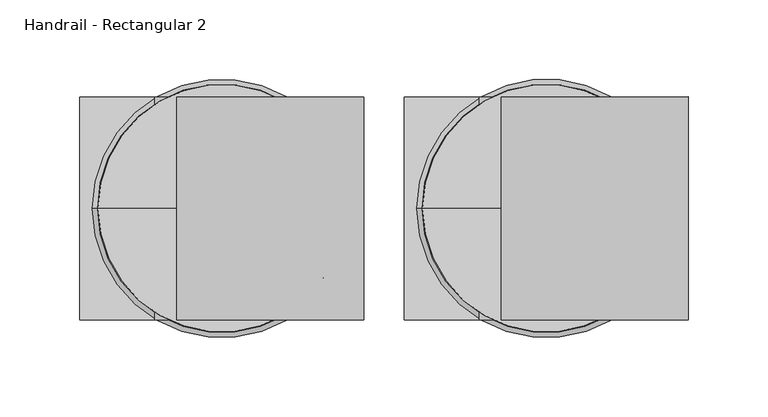
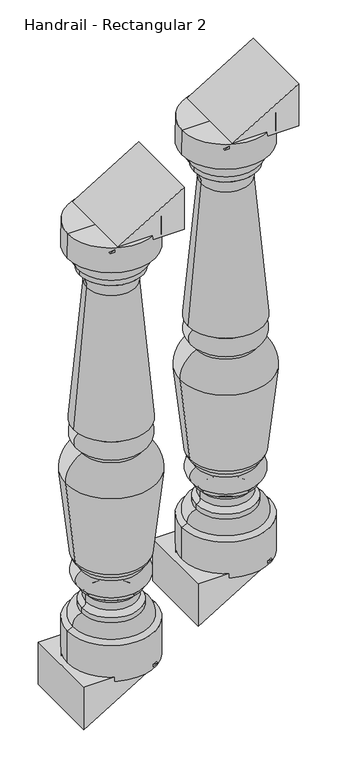
"""IFC4 building model written with IfcOpenShell, lengths in millimetres: railing geometry, Handrail - Rectangular 2."""

from ifc_helpers import new_model, si_unit, point, frame, origin, place, context, project, spatial, polyline, circle_curve, ellipse_curve, trimmed, outline, extrude, source, transform, mapped, element, save
from ifc_brep_helpers import plane_surface, cylinder_surface, revolved_surface, advanced_brep


def handrail_rectangular_2_d4c0c247(model_context):
    return source(origin(), model_context, "Body", "SolidModel", [
        advanced_brep(
        [(6568.3027138, 3995.6919589, 1418.7420479), (6490.7414749, 3995.6919589, 1418.7420479), (6645.8639527, 3995.6919589, 1418.7420479), (6646.0902138, 3995.6919589, 605.9420479), (6490.5152138, 3995.6919589, 605.9420479), (6568.3027138, 3995.6919589, 605.9420479), (6646.0902138, 3995.6919589, 672.6170479), (6490.5152138, 3995.6919589, 672.6170479), (6636.4781798, 3995.6919589, 677.7655328), (6500.1272477, 3995.6919589, 677.7655328), (6620.6902138, 3995.6919589, 698.1481011), (6515.9152138, 3995.6919589, 698.1481011), (6620.6902138, 3995.6919589, 707.5420479), (6515.9152138, 3995.6919589, 707.5420479), (6613.0714969, 3995.6919589, 716.5768641), (6523.5339306, 3995.6919589, 716.5768641), (6613.0714969, 3995.6919589, 730.2572316), (6523.5339306, 3995.6919589, 730.2572316), (6620.6902138, 3995.6919589, 739.2920479), (6515.9152138, 3995.6919589, 739.2920479), (6620.6902138, 3995.6919589, 745.6420479), (6515.9152138, 3995.6919589, 745.6420479), (6621.4839638, 3995.6919589, 777.3920479), (6515.1214638, 3995.6919589, 777.3920479), (6621.4839638, 3995.6919589, 783.7420479), (6515.1214638, 3995.6919589, 783.7420479), (6632.2567486, 3995.6919589, 796.432832), (6504.348679, 3995.6919589, 796.432832), (6649.3438292, 3995.6919589, 950.7896366), (6487.2615983, 3995.6919589, 950.7896366), (6620.6902138, 3995.6919589, 998.0545479), (6515.9152138, 3995.6919589, 998.0545479), (6620.6902138, 3995.6919589, 1004.4045479), (6515.9152138, 3995.6919589, 1004.4045479), (6623.8652138, 3995.6919589, 1039.3295479), (6512.7402138, 3995.6919589, 1039.3295479), (6623.8652138, 3995.6919589, 1042.5045479), (6512.7402138, 3995.6919589, 1042.5045479), (6634.9777138, 3995.6919589, 1047.2670479), (6501.6277138, 3995.6919589, 1047.2670479), (6611.7992017, 3995.6919589, 1305.7369697), (6524.8062258, 3995.6919589, 1305.7369697), (6623.8652138, 3995.6919589, 1333.0170479), (6512.7402138, 3995.6919589, 1333.0170479), (6623.8652138, 3995.6919589, 1342.5420479), (6512.7402138, 3995.6919589, 1342.5420479), (6634.9777138, 3995.6919589, 1369.5295479), (6501.6277138, 3995.6919589, 1369.5295479), (6646.0902138, 3995.6919589, 1372.7045479), (6490.5152138, 3995.6919589, 1372.7045479)],
        [
            (0, 1),
            (1, 2, circle_curve(frame((6568.3027138, 3995.6919589, 1418.7420479), z_axis=(0.0, 0.0, 1.0), x_axis=(-1.0, 0.0, 0.0)), 77.5612389)),
            (2, 0),
            (2, 1, circle_curve(frame((6568.3027138, 3995.6919589, 1418.7420479), z_axis=(0.0, 0.0, 1.0), x_axis=(-1.0, 0.0, 0.0)), 77.5612389)),
            (3, 4, circle_curve(frame((6568.3027138, 3995.6919589, 605.9420479), z_axis=(0.0, 0.0, -1.0), x_axis=(-1.0, 0.0, 0.0)), 77.7875)),
            (4, 5),
            (5, 3),
            (4, 3, circle_curve(frame((6568.3027138, 3995.6919589, 605.9420479), z_axis=(0.0, 0.0, -1.0), x_axis=(-1.0, 0.0, 0.0)), 77.7875)),
            (6, 7, circle_curve(frame((6568.3027138, 3995.6919589, 672.6170479), z_axis=(0.0, 0.0, -1.0), x_axis=(-1.0, 0.0, 0.0)), 77.7875)),
            (7, 4),
            (3, 6),
            (7, 6, circle_curve(frame((6568.3027138, 3995.6919589, 672.6170479), z_axis=(0.0, 0.0, -1.0), x_axis=(-1.0, 0.0, 0.0)), 77.7875)),
            (8, 9, circle_curve(frame((6568.3027138, 3995.6919589, 677.7655328), z_axis=(0.0, 0.0, -1.0), x_axis=(-1.0, 0.0, 0.0)), 68.175466)),
            (9, 7),
            (6, 8),
            (9, 8, circle_curve(frame((6568.3027138, 3995.6919589, 677.7655328), z_axis=(0.0, 0.0, -1.0), x_axis=(-1.0, 0.0, 0.0)), 68.175466)),
            (10, 11, circle_curve(frame((6568.3027138, 3995.6919589, 698.1481011), z_axis=(0.0, 0.0, -1.0), x_axis=(-1.0, 0.0, 0.0)), 52.3875)),
            (11, 9, circle_curve(frame((6518.2903026, 3995.6919589, 680.0025809), z_axis=(0.0, -1.0, 0.0), x_axis=(1.0, 0.0, 0.0)), 18.3002991)),
            (8, 10, circle_curve(frame((6618.3151249, 3995.6919589, 680.0025809), z_axis=(0.0, -1.0, 0.0), x_axis=(-1.0, 0.0, 0.0)), 18.3002991)),
            (11, 10, circle_curve(frame((6568.3027138, 3995.6919589, 698.1481011), z_axis=(0.0, 0.0, -1.0), x_axis=(-1.0, 0.0, 0.0)), 52.3875)),
            (12, 13, circle_curve(frame((6568.3027138, 3995.6919589, 707.5420479), z_axis=(0.0, 0.0, -1.0), x_axis=(-1.0, 0.0, 0.0)), 52.3875)),
            (13, 11),
            (10, 12),
            (13, 12, circle_curve(frame((6568.3027138, 3995.6919589, 707.5420479), z_axis=(0.0, 0.0, -1.0), x_axis=(-1.0, 0.0, 0.0)), 52.3875)),
            (14, 15, circle_curve(frame((6568.3027138, 3995.6919589, 716.5768641), z_axis=(0.0, 0.0, -1.0), x_axis=(-1.0, 0.0, 0.0)), 44.7687831)),
            (15, 13, circle_curve(frame((6514.1298785, 3995.6919589, 716.7772484), z_axis=(0.0, 1.0, 0.0), x_axis=(1.0, 0.0, 0.0)), 9.4061868)),
            (12, 14, circle_curve(frame((6622.475549, 3995.6919589, 716.7772484), z_axis=(0.0, 1.0, 0.0), x_axis=(-1.0, 0.0, 0.0)), 9.4061868)),
            (15, 14, circle_curve(frame((6568.3027138, 3995.6919589, 716.5768641), z_axis=(0.0, 0.0, -1.0), x_axis=(-1.0, 0.0, 0.0)), 44.7687831)),
            (16, 17, circle_curve(frame((6568.3027138, 3995.6919589, 730.2572316), z_axis=(0.0, 0.0, -1.0), x_axis=(-1.0, 0.0, 0.0)), 44.7687831)),
            (17, 15),
            (14, 16),
            (17, 16, circle_curve(frame((6568.3027138, 3995.6919589, 730.2572316), z_axis=(0.0, 0.0, -1.0), x_axis=(-1.0, 0.0, 0.0)), 44.7687831)),
            (18, 19, circle_curve(frame((6568.3027138, 3995.6919589, 739.2920479), z_axis=(0.0, 0.0, -1.0), x_axis=(-1.0, 0.0, 0.0)), 52.3875)),
            (19, 17, circle_curve(frame((6514.1298785, 3995.6919589, 730.0568473), z_axis=(0.0, 1.0, 0.0), x_axis=(1.0, 0.0, 0.0)), 9.4061868)),
            (16, 18, circle_curve(frame((6622.475549, 3995.6919589, 730.0568473), z_axis=(0.0, 1.0, 0.0), x_axis=(-1.0, 0.0, 0.0)), 9.4061868)),
            (19, 18, circle_curve(frame((6568.3027138, 3995.6919589, 739.2920479), z_axis=(0.0, 0.0, -1.0), x_axis=(-1.0, 0.0, 0.0)), 52.3875)),
            (20, 21, circle_curve(frame((6568.3027138, 3995.6919589, 745.6420479), z_axis=(0.0, 0.0, -1.0), x_axis=(-1.0, 0.0, 0.0)), 52.3875)),
            (21, 19),
            (18, 20),
            (21, 20, circle_curve(frame((6568.3027138, 3995.6919589, 745.6420479), z_axis=(0.0, 0.0, -1.0), x_axis=(-1.0, 0.0, 0.0)), 52.3875)),
            (22, 23, circle_curve(frame((6568.3027138, 3995.6919589, 777.3920479), z_axis=(0.0, 0.0, -1.0), x_axis=(-1.0, 0.0, 0.0)), 53.18125)),
            (23, 21, circle_curve(frame((6521.4943014, 3995.6919589, 761.6664469), z_axis=(0.0, -1.0, 0.0), x_axis=(1.0, 0.0, 0.0)), 16.9678397)),
            (20, 22, circle_curve(frame((6615.1111261, 3995.6919589, 761.6664469), z_axis=(0.0, -1.0, 0.0), x_axis=(-1.0, 0.0, 0.0)), 16.9678397)),
            (23, 22, circle_curve(frame((6568.3027138, 3995.6919589, 777.3920479), z_axis=(0.0, 0.0, -1.0), x_axis=(-1.0, 0.0, 0.0)), 53.18125)),
            (24, 25, circle_curve(frame((6568.3027138, 3995.6919589, 783.7420479), z_axis=(0.0, 0.0, -1.0), x_axis=(-1.0, 0.0, 0.0)), 53.18125)),
            (25, 23),
            (22, 24),
            (25, 24, circle_curve(frame((6568.3027138, 3995.6919589, 783.7420479), z_axis=(0.0, 0.0, -1.0), x_axis=(-1.0, 0.0, 0.0)), 53.18125)),
            (26, 27, circle_curve(frame((6568.3027138, 3995.6919589, 796.432832), z_axis=(0.0, 0.0, -1.0), x_axis=(-1.0, 0.0, 0.0)), 63.9540348)),
            (27, 25, circle_curve(frame((6524.9548362, 3995.6919589, 803.0069924), z_axis=(0.0, -1.0, 0.0), x_axis=(1.0, 0.0, 0.0)), 21.6294545)),
            (24, 26, circle_curve(frame((6611.6505913, 3995.6919589, 803.0069924), z_axis=(0.0, -1.0, 0.0), x_axis=(-1.0, 0.0, 0.0)), 21.6294545)),
            (27, 26, circle_curve(frame((6568.3027138, 3995.6919589, 796.432832), z_axis=(0.0, 0.0, -1.0), x_axis=(-1.0, 0.0, 0.0)), 63.9540348)),
            (28, 29, circle_curve(frame((6568.3027138, 3995.6919589, 950.7896366), z_axis=(0.0, 0.0, -1.0), x_axis=(-1.0, 0.0, 0.0)), 81.0411154)),
            (29, 27, circle_curve(frame((7981.5890441, 3995.6919589, 1038.0854177), z_axis=(0.0, -1.0, 0.0), x_axis=(1.0, 0.0, 0.0)), 1496.8751012)),
            (26, 28, circle_curve(frame((5155.0163835, 3995.6919589, 1038.0854177), z_axis=(0.0, -1.0, 0.0), x_axis=(-1.0, 0.0, 0.0)), 1496.8751012)),
            (29, 28, circle_curve(frame((6568.3027138, 3995.6919589, 950.7896366), z_axis=(0.0, 0.0, -1.0), x_axis=(-1.0, 0.0, 0.0)), 81.0411154)),
            (30, 31, circle_curve(frame((6568.3027138, 3995.6919589, 998.0545479), z_axis=(0.0, 0.0, -1.0), x_axis=(-1.0, 0.0, 0.0)), 52.3875)),
            (31, 29, circle_curve(frame((6539.0143644, 3995.6919589, 951.7331886), z_axis=(0.0, -1.0, 0.0), x_axis=(1.0, 0.0, 0.0)), 51.7613668)),
            (28, 30, circle_curve(frame((6597.5910631, 3995.6919589, 951.7331886), z_axis=(0.0, -1.0, 0.0), x_axis=(-1.0, 0.0, 0.0)), 51.7613668)),
            (31, 30, circle_curve(frame((6568.3027138, 3995.6919589, 998.0545479), z_axis=(0.0, 0.0, -1.0), x_axis=(-1.0, 0.0, 0.0)), 52.3875)),
            (32, 33, circle_curve(frame((6568.3027138, 3995.6919589, 1004.4045479), z_axis=(0.0, 0.0, -1.0), x_axis=(-1.0, 0.0, 0.0)), 52.3875)),
            (33, 31),
            (30, 32),
            (33, 32, circle_curve(frame((6568.3027138, 3995.6919589, 1004.4045479), z_axis=(0.0, 0.0, -1.0), x_axis=(-1.0, 0.0, 0.0)), 52.3875)),
            (34, 35, circle_curve(frame((6568.3027138, 3995.6919589, 1039.3295479), z_axis=(0.0, 0.0, -1.0), x_axis=(-1.0, 0.0, 0.0)), 55.5625)),
            (35, 33, circle_curve(frame((6520.9814661, 3995.6919589, 1022.4719344), z_axis=(0.0, -1.0, 0.0), x_axis=(1.0, 0.0, 0.0)), 18.7642578)),
            (32, 34, circle_curve(frame((6615.6239614, 3995.6919589, 1022.4719344), z_axis=(0.0, -1.0, 0.0), x_axis=(-1.0, 0.0, 0.0)), 18.7642578)),
            (35, 34, circle_curve(frame((6568.3027138, 3995.6919589, 1039.3295479), z_axis=(0.0, 0.0, -1.0), x_axis=(-1.0, 0.0, 0.0)), 55.5625)),
            (36, 37, circle_curve(frame((6568.3027138, 3995.6919589, 1042.5045479), z_axis=(0.0, 0.0, -1.0), x_axis=(-1.0, 0.0, 0.0)), 55.5625)),
            (37, 35),
            (34, 36),
            (37, 36, circle_curve(frame((6568.3027138, 3995.6919589, 1042.5045479), z_axis=(0.0, 0.0, -1.0), x_axis=(-1.0, 0.0, 0.0)), 55.5625)),
            (38, 39, circle_curve(frame((6568.3027138, 3995.6919589, 1047.2670479), z_axis=(0.0, 0.0, -1.0), x_axis=(-1.0, 0.0, 0.0)), 66.675)),
            (39, 37),
            (36, 38),
            (39, 38, circle_curve(frame((6568.3027138, 3995.6919589, 1047.2670479), z_axis=(0.0, 0.0, -1.0), x_axis=(-1.0, 0.0, 0.0)), 66.675)),
            (40, 41, circle_curve(frame((6568.3027138, 3995.6919589, 1305.7369697), z_axis=(0.0, 0.0, -1.0), x_axis=(-1.0, 0.0, 0.0)), 43.4964879)),
            (41, 39, circle_curve(frame((4877.9697999, 3995.6919589, 1323.1442023), z_axis=(0.0, 1.0, 0.0), x_axis=(1.0, 0.0, 0.0)), 1646.9284215)),
            (38, 40, circle_curve(frame((8258.6356276, 3995.6919589, 1323.1442023), z_axis=(0.0, 1.0, 0.0), x_axis=(-1.0, 0.0, 0.0)), 1646.9284215)),
            (41, 40, circle_curve(frame((6568.3027138, 3995.6919589, 1305.7369697), z_axis=(0.0, 0.0, -1.0), x_axis=(-1.0, 0.0, 0.0)), 43.4964879)),
            (42, 43, circle_curve(frame((6568.3027138, 3995.6919589, 1333.0170479), z_axis=(0.0, 0.0, -1.0), x_axis=(-1.0, 0.0, 0.0)), 55.5625)),
            (43, 41, circle_curve(frame((6492.102067, 3995.6919589, 1307.5803251), z_axis=(0.0, 1.0, 0.0), x_axis=(1.0, 0.0, 0.0)), 32.7560676)),
            (40, 42, circle_curve(frame((6644.5033606, 3995.6919589, 1307.5803251), z_axis=(0.0, 1.0, 0.0), x_axis=(-1.0, 0.0, 0.0)), 32.7560676)),
            (43, 42, circle_curve(frame((6568.3027138, 3995.6919589, 1333.0170479), z_axis=(0.0, 0.0, -1.0), x_axis=(-1.0, 0.0, 0.0)), 55.5625)),
            (44, 45, circle_curve(frame((6568.3027138, 3995.6919589, 1342.5420479), z_axis=(0.0, 0.0, -1.0), x_axis=(-1.0, 0.0, 0.0)), 55.5625)),
            (45, 43),
            (42, 44),
            (45, 44, circle_curve(frame((6568.3027138, 3995.6919589, 1342.5420479), z_axis=(0.0, 0.0, -1.0), x_axis=(-1.0, 0.0, 0.0)), 55.5625)),
            (46, 47, circle_curve(frame((6568.3027138, 3995.6919589, 1369.5295479), z_axis=(0.0, 0.0, -1.0), x_axis=(-1.0, 0.0, 0.0)), 66.675)),
            (47, 45, circle_curve(frame((6530.9879355, 3995.6919589, 1365.8374333), z_axis=(0.0, -1.0, 0.0), x_axis=(1.0, 0.0, 0.0)), 29.5914571)),
            (44, 46, circle_curve(frame((6605.617492, 3995.6919589, 1365.8374333), z_axis=(0.0, -1.0, 0.0), x_axis=(-1.0, 0.0, 0.0)), 29.5914571)),
            (47, 46, circle_curve(frame((6568.3027138, 3995.6919589, 1369.5295479), z_axis=(0.0, 0.0, -1.0), x_axis=(-1.0, 0.0, 0.0)), 66.675)),
            (48, 49, circle_curve(frame((6568.3027138, 3995.6919589, 1372.7045479), z_axis=(0.0, 0.0, -1.0), x_axis=(-1.0, 0.0, 0.0)), 77.7875)),
            (49, 47),
            (46, 48),
            (49, 48, circle_curve(frame((6568.3027138, 3995.6919589, 1372.7045479), z_axis=(0.0, 0.0, -1.0), x_axis=(-1.0, 0.0, 0.0)), 77.7875)),
            (1, 49),
            (48, 2),
        ],
        [
            plane_surface(frame((6568.3027138, 3995.6919589, 1418.7420479), z_axis=(0.0, 0.0, 1.0), x_axis=(-1.0, 0.0, 0.0))),
            plane_surface(frame((6568.3027138, 3995.6919589, 605.9420479), z_axis=(0.0, 0.0, -1.0), x_axis=(-1.0, 0.0, 0.0))),
            cylinder_surface(frame((6568.3027138, 3995.6919589, 1488.5920479), z_axis=(0.0, 0.0, 1.0), x_axis=(-1.0, 0.0, 0.0)), 77.7875),
            revolved_surface(polyline([(6490.5152138, 3995.6919589, 672.6170479), (6500.1272477, 3995.6919589, 677.7655328)]), (6568.3027138, 3995.6919589, 1488.5920479), (0.0, 0.0, 1.0)),
            revolved_surface(trimmed(ellipse_curve(frame((6518.2903026, 3995.6919589, 680.0025809), z_axis=(0.0, 1.0, 0.0), x_axis=(1.0, 0.0, 0.0)), 18.3002991, 18.3002991), [point((6500.1272477, 3995.6919589, 677.7655328))], [point((6515.9152138, 3995.6919589, 698.1481011))], True, "CARTESIAN"), (6568.3027138, 3995.6919589, 1488.5920479), (0.0, 0.0, 1.0)),
            cylinder_surface(frame((6568.3027138, 3995.6919589, 1488.5920479), z_axis=(0.0, 0.0, 1.0), x_axis=(-1.0, 0.0, 0.0)), 52.3875),
            revolved_surface(trimmed(ellipse_curve(frame((6514.1298785, 3995.6919589, 716.7772484), z_axis=(0.0, -1.0, 0.0), x_axis=(1.0, 0.0, 0.0)), 9.4061868, 9.4061868), [point((6515.9152138, 3995.6919589, 707.5420479))], [point((6523.5339306, 3995.6919589, 716.5768641))], True, "CARTESIAN"), (6568.3027138, 3995.6919589, 1488.5920479), (0.0, 0.0, 1.0)),
            cylinder_surface(frame((6568.3027138, 3995.6919589, 1488.5920479), z_axis=(0.0, 0.0, 1.0), x_axis=(-1.0, 0.0, 0.0)), 44.7687831),
            revolved_surface(trimmed(ellipse_curve(frame((6514.1298785, 3995.6919589, 730.0568473), z_axis=(0.0, -1.0, 0.0), x_axis=(1.0, 0.0, 0.0)), 9.4061868, 9.4061868), [point((6523.5339306, 3995.6919589, 730.2572316))], [point((6515.9152138, 3995.6919589, 739.2920479))], True, "CARTESIAN"), (6568.3027138, 3995.6919589, 1488.5920479), (0.0, 0.0, 1.0)),
            revolved_surface(trimmed(ellipse_curve(frame((6521.4943014, 3995.6919589, 761.6664469), z_axis=(0.0, 1.0, 0.0), x_axis=(1.0, 0.0, 0.0)), 16.9678397, 16.9678397), [point((6515.9152138, 3995.6919589, 745.6420479))], [point((6515.1214638, 3995.6919589, 777.3920479))], True, "CARTESIAN"), (6568.3027138, 3995.6919589, 1488.5920479), (0.0, 0.0, 1.0)),
            cylinder_surface(frame((6568.3027138, 3995.6919589, 1488.5920479), z_axis=(0.0, 0.0, 1.0), x_axis=(-1.0, 0.0, 0.0)), 53.18125),
            revolved_surface(trimmed(ellipse_curve(frame((6524.9548362, 3995.6919589, 803.0069924), z_axis=(0.0, 1.0, 0.0), x_axis=(1.0, 0.0, 0.0)), 21.6294545, 21.6294545), [point((6515.1214638, 3995.6919589, 783.7420479))], [point((6504.348679, 3995.6919589, 796.432832))], True, "CARTESIAN"), (6568.3027138, 3995.6919589, 1488.5920479), (0.0, 0.0, 1.0)),
            revolved_surface(trimmed(ellipse_curve(frame((7981.5890441, 3995.6919589, 1038.0854177), z_axis=(0.0, 1.0, 0.0), x_axis=(1.0, 0.0, 0.0)), 1496.8751012, 1496.8751012), [point((6504.348679, 3995.6919589, 796.432832))], [point((6487.2615983, 3995.6919589, 950.7896366))], True, "CARTESIAN"), (6568.3027138, 3995.6919589, 1488.5920479), (0.0, 0.0, 1.0)),
            revolved_surface(trimmed(ellipse_curve(frame((6539.0143644, 3995.6919589, 951.7331886), z_axis=(0.0, 1.0, 0.0), x_axis=(1.0, 0.0, 0.0)), 51.7613668, 51.7613668), [point((6487.2615983, 3995.6919589, 950.7896366))], [point((6515.9152138, 3995.6919589, 998.0545479))], True, "CARTESIAN"), (6568.3027138, 3995.6919589, 1488.5920479), (0.0, 0.0, 1.0)),
            revolved_surface(trimmed(ellipse_curve(frame((6520.9814661, 3995.6919589, 1022.4719344), z_axis=(0.0, 1.0, 0.0), x_axis=(1.0, 0.0, 0.0)), 18.7642578, 18.7642578), [point((6515.9152138, 3995.6919589, 1004.4045479))], [point((6512.7402138, 3995.6919589, 1039.3295479))], True, "CARTESIAN"), (6568.3027138, 3995.6919589, 1488.5920479), (0.0, 0.0, 1.0)),
            cylinder_surface(frame((6568.3027138, 3995.6919589, 1488.5920479), z_axis=(0.0, 0.0, 1.0), x_axis=(-1.0, 0.0, 0.0)), 55.5625),
            revolved_surface(polyline([(6512.7402138, 3995.6919589, 1042.5045479), (6501.6277138, 3995.6919589, 1047.2670479)]), (6568.3027138, 3995.6919589, 1488.5920479), (0.0, 0.0, 1.0)),
            revolved_surface(trimmed(ellipse_curve(frame((4877.9697999, 3995.6919589, 1323.1442023), z_axis=(0.0, -1.0, 0.0), x_axis=(1.0, 0.0, 0.0)), 1646.9284215, 1646.9284215), [point((6501.6277138, 3995.6919589, 1047.2670479))], [point((6524.8062258, 3995.6919589, 1305.7369697))], True, "CARTESIAN"), (6568.3027138, 3995.6919589, 1488.5920479), (0.0, 0.0, 1.0)),
            revolved_surface(trimmed(ellipse_curve(frame((6492.102067, 3995.6919589, 1307.5803251), z_axis=(0.0, -1.0, 0.0), x_axis=(1.0, 0.0, 0.0)), 32.7560676, 32.7560676), [point((6524.8062258, 3995.6919589, 1305.7369697))], [point((6512.7402138, 3995.6919589, 1333.0170479))], True, "CARTESIAN"), (6568.3027138, 3995.6919589, 1488.5920479), (0.0, 0.0, 1.0)),
            revolved_surface(trimmed(ellipse_curve(frame((6530.9879355, 3995.6919589, 1365.8374333), z_axis=(0.0, 1.0, 0.0), x_axis=(1.0, 0.0, 0.0)), 29.5914571, 29.5914571), [point((6512.7402138, 3995.6919589, 1342.5420479))], [point((6501.6277138, 3995.6919589, 1369.5295479))], True, "CARTESIAN"), (6568.3027138, 3995.6919589, 1488.5920479), (0.0, 0.0, 1.0)),
            revolved_surface(polyline([(6501.6277138, 3995.6919589, 1369.5295479), (6490.5152138, 3995.6919589, 1372.7045479)]), (6568.3027138, 3995.6919589, 1488.5920479), (0.0, 0.0, 1.0)),
            revolved_surface(polyline([(6490.5152138, 3995.6919589, 1372.7045479), (6490.7414749, 3995.6919589, 1418.7420479)]), (6568.3027138, 3995.6919589, 1488.5920479), (0.0, 0.0, 1.0)),
        ],
        [
            (0, [[1, 2, 3]]),
            (0, [[-3, 4, -1]]),
            (1, [[5, 6, 7]]),
            (1, [[8, -7, -6]]),
            (2, [[9, 10, -5, 11]]),
            (2, [[12, -11, -8, -10]]),
            (3, [[13, 14, -9, 15]]),
            (3, [[16, -15, -12, -14]]),
            (4, [[17, 18, -13, 19]]),
            (4, [[20, -19, -16, -18]]),
            (5, [[21, 22, -17, 23]]),
            (5, [[24, -23, -20, -22]]),
            (6, [[25, 26, -21, 27]]),
            (6, [[28, -27, -24, -26]]),
            (7, [[29, 30, -25, 31]]),
            (7, [[32, -31, -28, -30]]),
            (8, [[33, 34, -29, 35]]),
            (8, [[36, -35, -32, -34]]),
            (5, [[37, 38, -33, 39]]),
            (5, [[40, -39, -36, -38]]),
            (9, [[41, 42, -37, 43]]),
            (9, [[44, -43, -40, -42]]),
            (10, [[45, 46, -41, 47]]),
            (10, [[48, -47, -44, -46]]),
            (11, [[49, 50, -45, 51]]),
            (11, [[52, -51, -48, -50]]),
            (12, [[53, 54, -49, 55]]),
            (12, [[56, -55, -52, -54]]),
            (13, [[57, 58, -53, 59]]),
            (13, [[60, -59, -56, -58]]),
            (5, [[61, 62, -57, 63]]),
            (5, [[64, -63, -60, -62]]),
            (14, [[65, 66, -61, 67]]),
            (14, [[68, -67, -64, -66]]),
            (15, [[69, 70, -65, 71]]),
            (15, [[72, -71, -68, -70]]),
            (16, [[73, 74, -69, 75]]),
            (16, [[76, -75, -72, -74]]),
            (17, [[77, 78, -73, 79]]),
            (17, [[80, -79, -76, -78]]),
            (18, [[81, 82, -77, 83]]),
            (18, [[84, -83, -80, -82]]),
            (15, [[85, 86, -81, 87]]),
            (15, [[88, -87, -84, -86]]),
            (19, [[89, 90, -85, 91]]),
            (19, [[92, -91, -88, -90]]),
            (20, [[93, 94, -89, 95]]),
            (20, [[96, -95, -92, -94]]),
            (21, [[-2, 97, -93, 98]]),
            (21, [[-4, -98, -96, -97]]),
        ],
    ),
        extrude(outline(polyline([(613.7371212, 6610.2127138), (613.7371212, 6479.4027138), (534.4583333, 6479.4027138), (613.7371212, 6610.2127138)])), frame((0.0, 3925.8419589, 0.0), z_axis=(0.0, 1.0, 0.0), x_axis=(0.0, 0.0, 1.0)), (0.0, 0.0, 1.0), 139.7),
        extrude(outline(polyline([(1410.9469745, 6526.3927138), (1410.9469745, 6657.2027138), (1490.2257624, 6657.2027138), (1410.9469745, 6526.3927138)])), frame((0.0, 3925.8419589, 0.0), z_axis=(0.0, 1.0, 0.0), x_axis=(0.0, 0.0, 1.0)), (0.0, 0.0, 1.0), 139.7),
        advanced_brep(
        [(6365.1027138, 3995.6919589, 1295.5905327), (6287.5414749, 3995.6919589, 1295.5905327), (6442.6639527, 3995.6919589, 1295.5905327), (6442.8902138, 3995.6919589, 482.7905327), (6287.3152138, 3995.6919589, 482.7905327), (6365.1027138, 3995.6919589, 482.7905327), (6442.8902138, 3995.6919589, 549.4655327), (6287.3152138, 3995.6919589, 549.4655327), (6433.2781798, 3995.6919589, 554.6140177), (6296.9272477, 3995.6919589, 554.6140177), (6417.4902138, 3995.6919589, 574.9965859), (6312.7152138, 3995.6919589, 574.9965859), (6417.4902138, 3995.6919589, 584.3905327), (6312.7152138, 3995.6919589, 584.3905327), (6409.8714969, 3995.6919589, 593.4253489), (6320.3339306, 3995.6919589, 593.4253489), (6409.8714969, 3995.6919589, 607.1057165), (6320.3339306, 3995.6919589, 607.1057165), (6417.4902138, 3995.6919589, 616.1405327), (6312.7152138, 3995.6919589, 616.1405327), (6417.4902138, 3995.6919589, 622.4905327), (6312.7152138, 3995.6919589, 622.4905327), (6418.2839638, 3995.6919589, 654.2405327), (6311.9214638, 3995.6919589, 654.2405327), (6418.2839638, 3995.6919589, 660.5905327), (6311.9214638, 3995.6919589, 660.5905327), (6429.0567486, 3995.6919589, 673.2813169), (6301.148679, 3995.6919589, 673.2813169), (6446.1438292, 3995.6919589, 827.6381214), (6284.0615983, 3995.6919589, 827.6381214), (6417.4902138, 3995.6919589, 874.9030327), (6312.7152138, 3995.6919589, 874.9030327), (6417.4902138, 3995.6919589, 881.2530327), (6312.7152138, 3995.6919589, 881.2530327), (6420.6652138, 3995.6919589, 916.1780327), (6309.5402138, 3995.6919589, 916.1780327), (6420.6652138, 3995.6919589, 919.3530327), (6309.5402138, 3995.6919589, 919.3530327), (6431.7777138, 3995.6919589, 924.1155327), (6298.4277138, 3995.6919589, 924.1155327), (6408.5992017, 3995.6919589, 1182.5854545), (6321.6062258, 3995.6919589, 1182.5854545), (6420.6652138, 3995.6919589, 1209.8655327), (6309.5402138, 3995.6919589, 1209.8655327), (6420.6652138, 3995.6919589, 1219.3905327), (6309.5402138, 3995.6919589, 1219.3905327), (6431.7777138, 3995.6919589, 1246.3780327), (6298.4277138, 3995.6919589, 1246.3780327), (6442.8902138, 3995.6919589, 1249.5530327), (6287.3152138, 3995.6919589, 1249.5530327)],
        [
            (0, 1),
            (1, 2, circle_curve(frame((6365.1027138, 3995.6919589, 1295.5905327), z_axis=(0.0, 0.0, 1.0), x_axis=(-1.0, 0.0, 0.0)), 77.5612389)),
            (2, 0),
            (2, 1, circle_curve(frame((6365.1027138, 3995.6919589, 1295.5905327), z_axis=(0.0, 0.0, 1.0), x_axis=(-1.0, 0.0, 0.0)), 77.5612389)),
            (3, 4, circle_curve(frame((6365.1027138, 3995.6919589, 482.7905327), z_axis=(0.0, 0.0, -1.0), x_axis=(-1.0, 0.0, 0.0)), 77.7875)),
            (4, 5),
            (5, 3),
            (4, 3, circle_curve(frame((6365.1027138, 3995.6919589, 482.7905327), z_axis=(0.0, 0.0, -1.0), x_axis=(-1.0, 0.0, 0.0)), 77.7875)),
            (6, 7, circle_curve(frame((6365.1027138, 3995.6919589, 549.4655327), z_axis=(0.0, 0.0, -1.0), x_axis=(-1.0, 0.0, 0.0)), 77.7875)),
            (7, 4),
            (3, 6),
            (7, 6, circle_curve(frame((6365.1027138, 3995.6919589, 549.4655327), z_axis=(0.0, 0.0, -1.0), x_axis=(-1.0, 0.0, 0.0)), 77.7875)),
            (8, 9, circle_curve(frame((6365.1027138, 3995.6919589, 554.6140177), z_axis=(0.0, 0.0, -1.0), x_axis=(-1.0, 0.0, 0.0)), 68.175466)),
            (9, 7),
            (6, 8),
            (9, 8, circle_curve(frame((6365.1027138, 3995.6919589, 554.6140177), z_axis=(0.0, 0.0, -1.0), x_axis=(-1.0, 0.0, 0.0)), 68.175466)),
            (10, 11, circle_curve(frame((6365.1027138, 3995.6919589, 574.9965859), z_axis=(0.0, 0.0, -1.0), x_axis=(-1.0, 0.0, 0.0)), 52.3875)),
            (11, 9, circle_curve(frame((6315.0903026, 3995.6919589, 556.8510658), z_axis=(0.0, -1.0, 0.0), x_axis=(1.0, 0.0, 0.0)), 18.3002991)),
            (8, 10, circle_curve(frame((6415.1151249, 3995.6919589, 556.8510658), z_axis=(0.0, -1.0, 0.0), x_axis=(-1.0, 0.0, 0.0)), 18.3002991)),
            (11, 10, circle_curve(frame((6365.1027138, 3995.6919589, 574.9965859), z_axis=(0.0, 0.0, -1.0), x_axis=(-1.0, 0.0, 0.0)), 52.3875)),
            (12, 13, circle_curve(frame((6365.1027138, 3995.6919589, 584.3905327), z_axis=(0.0, 0.0, -1.0), x_axis=(-1.0, 0.0, 0.0)), 52.3875)),
            (13, 11),
            (10, 12),
            (13, 12, circle_curve(frame((6365.1027138, 3995.6919589, 584.3905327), z_axis=(0.0, 0.0, -1.0), x_axis=(-1.0, 0.0, 0.0)), 52.3875)),
            (14, 15, circle_curve(frame((6365.1027138, 3995.6919589, 593.4253489), z_axis=(0.0, 0.0, -1.0), x_axis=(-1.0, 0.0, 0.0)), 44.7687831)),
            (15, 13, circle_curve(frame((6310.9298785, 3995.6919589, 593.6257332), z_axis=(0.0, 1.0, 0.0), x_axis=(1.0, 0.0, 0.0)), 9.4061868)),
            (12, 14, circle_curve(frame((6419.275549, 3995.6919589, 593.6257332), z_axis=(0.0, 1.0, 0.0), x_axis=(-1.0, 0.0, 0.0)), 9.4061868)),
            (15, 14, circle_curve(frame((6365.1027138, 3995.6919589, 593.4253489), z_axis=(0.0, 0.0, -1.0), x_axis=(-1.0, 0.0, 0.0)), 44.7687831)),
            (16, 17, circle_curve(frame((6365.1027138, 3995.6919589, 607.1057165), z_axis=(0.0, 0.0, -1.0), x_axis=(-1.0, 0.0, 0.0)), 44.7687831)),
            (17, 15),
            (14, 16),
            (17, 16, circle_curve(frame((6365.1027138, 3995.6919589, 607.1057165), z_axis=(0.0, 0.0, -1.0), x_axis=(-1.0, 0.0, 0.0)), 44.7687831)),
            (18, 19, circle_curve(frame((6365.1027138, 3995.6919589, 616.1405327), z_axis=(0.0, 0.0, -1.0), x_axis=(-1.0, 0.0, 0.0)), 52.3875)),
            (19, 17, circle_curve(frame((6310.9298785, 3995.6919589, 606.9053322), z_axis=(0.0, 1.0, 0.0), x_axis=(1.0, 0.0, 0.0)), 9.4061868)),
            (16, 18, circle_curve(frame((6419.275549, 3995.6919589, 606.9053322), z_axis=(0.0, 1.0, 0.0), x_axis=(-1.0, 0.0, 0.0)), 9.4061868)),
            (19, 18, circle_curve(frame((6365.1027138, 3995.6919589, 616.1405327), z_axis=(0.0, 0.0, -1.0), x_axis=(-1.0, 0.0, 0.0)), 52.3875)),
            (20, 21, circle_curve(frame((6365.1027138, 3995.6919589, 622.4905327), z_axis=(0.0, 0.0, -1.0), x_axis=(-1.0, 0.0, 0.0)), 52.3875)),
            (21, 19),
            (18, 20),
            (21, 20, circle_curve(frame((6365.1027138, 3995.6919589, 622.4905327), z_axis=(0.0, 0.0, -1.0), x_axis=(-1.0, 0.0, 0.0)), 52.3875)),
            (22, 23, circle_curve(frame((6365.1027138, 3995.6919589, 654.2405327), z_axis=(0.0, 0.0, -1.0), x_axis=(-1.0, 0.0, 0.0)), 53.18125)),
            (23, 21, circle_curve(frame((6318.2943014, 3995.6919589, 638.5149318), z_axis=(0.0, -1.0, 0.0), x_axis=(1.0, 0.0, 0.0)), 16.9678397)),
            (20, 22, circle_curve(frame((6411.9111261, 3995.6919589, 638.5149318), z_axis=(0.0, -1.0, 0.0), x_axis=(-1.0, 0.0, 0.0)), 16.9678397)),
            (23, 22, circle_curve(frame((6365.1027138, 3995.6919589, 654.2405327), z_axis=(0.0, 0.0, -1.0), x_axis=(-1.0, 0.0, 0.0)), 53.18125)),
            (24, 25, circle_curve(frame((6365.1027138, 3995.6919589, 660.5905327), z_axis=(0.0, 0.0, -1.0), x_axis=(-1.0, 0.0, 0.0)), 53.18125)),
            (25, 23),
            (22, 24),
            (25, 24, circle_curve(frame((6365.1027138, 3995.6919589, 660.5905327), z_axis=(0.0, 0.0, -1.0), x_axis=(-1.0, 0.0, 0.0)), 53.18125)),
            (26, 27, circle_curve(frame((6365.1027138, 3995.6919589, 673.2813169), z_axis=(0.0, 0.0, -1.0), x_axis=(-1.0, 0.0, 0.0)), 63.9540348)),
            (27, 25, circle_curve(frame((6321.7548362, 3995.6919589, 679.8554772), z_axis=(0.0, -1.0, 0.0), x_axis=(1.0, 0.0, 0.0)), 21.6294545)),
            (24, 26, circle_curve(frame((6408.4505913, 3995.6919589, 679.8554772), z_axis=(0.0, -1.0, 0.0), x_axis=(-1.0, 0.0, 0.0)), 21.6294545)),
            (27, 26, circle_curve(frame((6365.1027138, 3995.6919589, 673.2813169), z_axis=(0.0, 0.0, -1.0), x_axis=(-1.0, 0.0, 0.0)), 63.9540348)),
            (28, 29, circle_curve(frame((6365.1027138, 3995.6919589, 827.6381214), z_axis=(0.0, 0.0, -1.0), x_axis=(-1.0, 0.0, 0.0)), 81.0411154)),
            (29, 27, circle_curve(frame((7778.3890441, 3995.6919589, 914.9339025), z_axis=(0.0, -1.0, 0.0), x_axis=(1.0, 0.0, 0.0)), 1496.8751012)),
            (26, 28, circle_curve(frame((4951.8163835, 3995.6919589, 914.9339025), z_axis=(0.0, -1.0, 0.0), x_axis=(-1.0, 0.0, 0.0)), 1496.8751012)),
            (29, 28, circle_curve(frame((6365.1027138, 3995.6919589, 827.6381214), z_axis=(0.0, 0.0, -1.0), x_axis=(-1.0, 0.0, 0.0)), 81.0411154)),
            (30, 31, circle_curve(frame((6365.1027138, 3995.6919589, 874.9030327), z_axis=(0.0, 0.0, -1.0), x_axis=(-1.0, 0.0, 0.0)), 52.3875)),
            (31, 29, circle_curve(frame((6335.8143644, 3995.6919589, 828.5816734), z_axis=(0.0, -1.0, 0.0), x_axis=(1.0, 0.0, 0.0)), 51.7613668)),
            (28, 30, circle_curve(frame((6394.3910631, 3995.6919589, 828.5816734), z_axis=(0.0, -1.0, 0.0), x_axis=(-1.0, 0.0, 0.0)), 51.7613668)),
            (31, 30, circle_curve(frame((6365.1027138, 3995.6919589, 874.9030327), z_axis=(0.0, 0.0, -1.0), x_axis=(-1.0, 0.0, 0.0)), 52.3875)),
            (32, 33, circle_curve(frame((6365.1027138, 3995.6919589, 881.2530327), z_axis=(0.0, 0.0, -1.0), x_axis=(-1.0, 0.0, 0.0)), 52.3875)),
            (33, 31),
            (30, 32),
            (33, 32, circle_curve(frame((6365.1027138, 3995.6919589, 881.2530327), z_axis=(0.0, 0.0, -1.0), x_axis=(-1.0, 0.0, 0.0)), 52.3875)),
            (34, 35, circle_curve(frame((6365.1027138, 3995.6919589, 916.1780327), z_axis=(0.0, 0.0, -1.0), x_axis=(-1.0, 0.0, 0.0)), 55.5625)),
            (35, 33, circle_curve(frame((6317.7814661, 3995.6919589, 899.3204193), z_axis=(0.0, -1.0, 0.0), x_axis=(1.0, 0.0, 0.0)), 18.7642578)),
            (32, 34, circle_curve(frame((6412.4239614, 3995.6919589, 899.3204193), z_axis=(0.0, -1.0, 0.0), x_axis=(-1.0, 0.0, 0.0)), 18.7642578)),
            (35, 34, circle_curve(frame((6365.1027138, 3995.6919589, 916.1780327), z_axis=(0.0, 0.0, -1.0), x_axis=(-1.0, 0.0, 0.0)), 55.5625)),
            (36, 37, circle_curve(frame((6365.1027138, 3995.6919589, 919.3530327), z_axis=(0.0, 0.0, -1.0), x_axis=(-1.0, 0.0, 0.0)), 55.5625)),
            (37, 35),
            (34, 36),
            (37, 36, circle_curve(frame((6365.1027138, 3995.6919589, 919.3530327), z_axis=(0.0, 0.0, -1.0), x_axis=(-1.0, 0.0, 0.0)), 55.5625)),
            (38, 39, circle_curve(frame((6365.1027138, 3995.6919589, 924.1155327), z_axis=(0.0, 0.0, -1.0), x_axis=(-1.0, 0.0, 0.0)), 66.675)),
            (39, 37),
            (36, 38),
            (39, 38, circle_curve(frame((6365.1027138, 3995.6919589, 924.1155327), z_axis=(0.0, 0.0, -1.0), x_axis=(-1.0, 0.0, 0.0)), 66.675)),
            (40, 41, circle_curve(frame((6365.1027138, 3995.6919589, 1182.5854545), z_axis=(0.0, 0.0, -1.0), x_axis=(-1.0, 0.0, 0.0)), 43.4964879)),
            (41, 39, circle_curve(frame((4674.7697999, 3995.6919589, 1199.9926871), z_axis=(0.0, 1.0, 0.0), x_axis=(1.0, 0.0, 0.0)), 1646.9284215)),
            (38, 40, circle_curve(frame((8055.4356276, 3995.6919589, 1199.9926871), z_axis=(0.0, 1.0, 0.0), x_axis=(-1.0, 0.0, 0.0)), 1646.9284215)),
            (41, 40, circle_curve(frame((6365.1027138, 3995.6919589, 1182.5854545), z_axis=(0.0, 0.0, -1.0), x_axis=(-1.0, 0.0, 0.0)), 43.4964879)),
            (42, 43, circle_curve(frame((6365.1027138, 3995.6919589, 1209.8655327), z_axis=(0.0, 0.0, -1.0), x_axis=(-1.0, 0.0, 0.0)), 55.5625)),
            (43, 41, circle_curve(frame((6288.902067, 3995.6919589, 1184.42881), z_axis=(0.0, 1.0, 0.0), x_axis=(1.0, 0.0, 0.0)), 32.7560676)),
            (40, 42, circle_curve(frame((6441.3033606, 3995.6919589, 1184.42881), z_axis=(0.0, 1.0, 0.0), x_axis=(-1.0, 0.0, 0.0)), 32.7560676)),
            (43, 42, circle_curve(frame((6365.1027138, 3995.6919589, 1209.8655327), z_axis=(0.0, 0.0, -1.0), x_axis=(-1.0, 0.0, 0.0)), 55.5625)),
            (44, 45, circle_curve(frame((6365.1027138, 3995.6919589, 1219.3905327), z_axis=(0.0, 0.0, -1.0), x_axis=(-1.0, 0.0, 0.0)), 55.5625)),
            (45, 43),
            (42, 44),
            (45, 44, circle_curve(frame((6365.1027138, 3995.6919589, 1219.3905327), z_axis=(0.0, 0.0, -1.0), x_axis=(-1.0, 0.0, 0.0)), 55.5625)),
            (46, 47, circle_curve(frame((6365.1027138, 3995.6919589, 1246.3780327), z_axis=(0.0, 0.0, -1.0), x_axis=(-1.0, 0.0, 0.0)), 66.675)),
            (47, 45, circle_curve(frame((6327.7879355, 3995.6919589, 1242.6859181), z_axis=(0.0, -1.0, 0.0), x_axis=(1.0, 0.0, 0.0)), 29.5914571)),
            (44, 46, circle_curve(frame((6402.417492, 3995.6919589, 1242.6859181), z_axis=(0.0, -1.0, 0.0), x_axis=(-1.0, 0.0, 0.0)), 29.5914571)),
            (47, 46, circle_curve(frame((6365.1027138, 3995.6919589, 1246.3780327), z_axis=(0.0, 0.0, -1.0), x_axis=(-1.0, 0.0, 0.0)), 66.675)),
            (48, 49, circle_curve(frame((6365.1027138, 3995.6919589, 1249.5530327), z_axis=(0.0, 0.0, -1.0), x_axis=(-1.0, 0.0, 0.0)), 77.7875)),
            (49, 47),
            (46, 48),
            (49, 48, circle_curve(frame((6365.1027138, 3995.6919589, 1249.5530327), z_axis=(0.0, 0.0, -1.0), x_axis=(-1.0, 0.0, 0.0)), 77.7875)),
            (1, 49),
            (48, 2),
        ],
        [
            plane_surface(frame((6365.1027138, 3995.6919589, 1295.5905327), z_axis=(0.0, 0.0, 1.0), x_axis=(-1.0, 0.0, 0.0))),
            plane_surface(frame((6365.1027138, 3995.6919589, 482.7905327), z_axis=(0.0, 0.0, -1.0), x_axis=(-1.0, 0.0, 0.0))),
            cylinder_surface(frame((6365.1027138, 3995.6919589, 1365.4405327), z_axis=(0.0, 0.0, 1.0), x_axis=(-1.0, 0.0, 0.0)), 77.7875),
            revolved_surface(polyline([(6287.3152138, 3995.6919589, 549.4655327), (6296.9272477, 3995.6919589, 554.6140177)]), (6365.1027138, 3995.6919589, 1365.4405327), (0.0, 0.0, 1.0)),
            revolved_surface(trimmed(ellipse_curve(frame((6315.0903026, 3995.6919589, 556.8510658), z_axis=(0.0, 1.0, 0.0), x_axis=(1.0, 0.0, 0.0)), 18.3002991, 18.3002991), [point((6296.9272477, 3995.6919589, 554.6140177))], [point((6312.7152138, 3995.6919589, 574.9965859))], True, "CARTESIAN"), (6365.1027138, 3995.6919589, 1365.4405327), (0.0, 0.0, 1.0)),
            cylinder_surface(frame((6365.1027138, 3995.6919589, 1365.4405327), z_axis=(0.0, 0.0, 1.0), x_axis=(-1.0, 0.0, 0.0)), 52.3875),
            revolved_surface(trimmed(ellipse_curve(frame((6310.9298785, 3995.6919589, 593.6257332), z_axis=(0.0, -1.0, 0.0), x_axis=(1.0, 0.0, 0.0)), 9.4061868, 9.4061868), [point((6312.7152138, 3995.6919589, 584.3905327))], [point((6320.3339306, 3995.6919589, 593.4253489))], True, "CARTESIAN"), (6365.1027138, 3995.6919589, 1365.4405327), (0.0, 0.0, 1.0)),
            cylinder_surface(frame((6365.1027138, 3995.6919589, 1365.4405327), z_axis=(0.0, 0.0, 1.0), x_axis=(-1.0, 0.0, 0.0)), 44.7687831),
            revolved_surface(trimmed(ellipse_curve(frame((6310.9298785, 3995.6919589, 606.9053322), z_axis=(0.0, -1.0, 0.0), x_axis=(1.0, 0.0, 0.0)), 9.4061868, 9.4061868), [point((6320.3339306, 3995.6919589, 607.1057165))], [point((6312.7152138, 3995.6919589, 616.1405327))], True, "CARTESIAN"), (6365.1027138, 3995.6919589, 1365.4405327), (0.0, 0.0, 1.0)),
            revolved_surface(trimmed(ellipse_curve(frame((6318.2943014, 3995.6919589, 638.5149318), z_axis=(0.0, 1.0, 0.0), x_axis=(1.0, 0.0, 0.0)), 16.9678397, 16.9678397), [point((6312.7152138, 3995.6919589, 622.4905327))], [point((6311.9214638, 3995.6919589, 654.2405327))], True, "CARTESIAN"), (6365.1027138, 3995.6919589, 1365.4405327), (0.0, 0.0, 1.0)),
            cylinder_surface(frame((6365.1027138, 3995.6919589, 1365.4405327), z_axis=(0.0, 0.0, 1.0), x_axis=(-1.0, 0.0, 0.0)), 53.18125),
            revolved_surface(trimmed(ellipse_curve(frame((6321.7548362, 3995.6919589, 679.8554772), z_axis=(0.0, 1.0, 0.0), x_axis=(1.0, 0.0, 0.0)), 21.6294545, 21.6294545), [point((6311.9214638, 3995.6919589, 660.5905327))], [point((6301.148679, 3995.6919589, 673.2813169))], True, "CARTESIAN"), (6365.1027138, 3995.6919589, 1365.4405327), (0.0, 0.0, 1.0)),
            revolved_surface(trimmed(ellipse_curve(frame((7778.3890441, 3995.6919589, 914.9339025), z_axis=(0.0, 1.0, 0.0), x_axis=(1.0, 0.0, 0.0)), 1496.8751012, 1496.8751012), [point((6301.148679, 3995.6919589, 673.2813169))], [point((6284.0615983, 3995.6919589, 827.6381214))], True, "CARTESIAN"), (6365.1027138, 3995.6919589, 1365.4405327), (0.0, 0.0, 1.0)),
            revolved_surface(trimmed(ellipse_curve(frame((6335.8143644, 3995.6919589, 828.5816734), z_axis=(0.0, 1.0, 0.0), x_axis=(1.0, 0.0, 0.0)), 51.7613668, 51.7613668), [point((6284.0615983, 3995.6919589, 827.6381214))], [point((6312.7152138, 3995.6919589, 874.9030327))], True, "CARTESIAN"), (6365.1027138, 3995.6919589, 1365.4405327), (0.0, 0.0, 1.0)),
            revolved_surface(trimmed(ellipse_curve(frame((6317.7814661, 3995.6919589, 899.3204193), z_axis=(0.0, 1.0, 0.0), x_axis=(1.0, 0.0, 0.0)), 18.7642578, 18.7642578), [point((6312.7152138, 3995.6919589, 881.2530327))], [point((6309.5402138, 3995.6919589, 916.1780327))], True, "CARTESIAN"), (6365.1027138, 3995.6919589, 1365.4405327), (0.0, 0.0, 1.0)),
            cylinder_surface(frame((6365.1027138, 3995.6919589, 1365.4405327), z_axis=(0.0, 0.0, 1.0), x_axis=(-1.0, 0.0, 0.0)), 55.5625),
            revolved_surface(polyline([(6309.5402138, 3995.6919589, 919.3530327), (6298.4277138, 3995.6919589, 924.1155327)]), (6365.1027138, 3995.6919589, 1365.4405327), (0.0, 0.0, 1.0)),
            revolved_surface(trimmed(ellipse_curve(frame((4674.7697999, 3995.6919589, 1199.9926871), z_axis=(0.0, -1.0, 0.0), x_axis=(1.0, 0.0, 0.0)), 1646.9284215, 1646.9284215), [point((6298.4277138, 3995.6919589, 924.1155327))], [point((6321.6062258, 3995.6919589, 1182.5854545))], True, "CARTESIAN"), (6365.1027138, 3995.6919589, 1365.4405327), (0.0, 0.0, 1.0)),
            revolved_surface(trimmed(ellipse_curve(frame((6288.902067, 3995.6919589, 1184.42881), z_axis=(0.0, -1.0, 0.0), x_axis=(1.0, 0.0, 0.0)), 32.7560676, 32.7560676), [point((6321.6062258, 3995.6919589, 1182.5854545))], [point((6309.5402138, 3995.6919589, 1209.8655327))], True, "CARTESIAN"), (6365.1027138, 3995.6919589, 1365.4405327), (0.0, 0.0, 1.0)),
            revolved_surface(trimmed(ellipse_curve(frame((6327.7879355, 3995.6919589, 1242.6859181), z_axis=(0.0, 1.0, 0.0), x_axis=(1.0, 0.0, 0.0)), 29.5914571, 29.5914571), [point((6309.5402138, 3995.6919589, 1219.3905327))], [point((6298.4277138, 3995.6919589, 1246.3780327))], True, "CARTESIAN"), (6365.1027138, 3995.6919589, 1365.4405327), (0.0, 0.0, 1.0)),
            revolved_surface(polyline([(6298.4277138, 3995.6919589, 1246.3780327), (6287.3152138, 3995.6919589, 1249.5530327)]), (6365.1027138, 3995.6919589, 1365.4405327), (0.0, 0.0, 1.0)),
            revolved_surface(polyline([(6287.3152138, 3995.6919589, 1249.5530327), (6287.5414749, 3995.6919589, 1295.5905327)]), (6365.1027138, 3995.6919589, 1365.4405327), (0.0, 0.0, 1.0)),
        ],
        [
            (0, [[1, 2, 3]]),
            (0, [[-3, 4, -1]]),
            (1, [[5, 6, 7]]),
            (1, [[8, -7, -6]]),
            (2, [[9, 10, -5, 11]]),
            (2, [[12, -11, -8, -10]]),
            (3, [[13, 14, -9, 15]]),
            (3, [[16, -15, -12, -14]]),
            (4, [[17, 18, -13, 19]]),
            (4, [[20, -19, -16, -18]]),
            (5, [[21, 22, -17, 23]]),
            (5, [[24, -23, -20, -22]]),
            (6, [[25, 26, -21, 27]]),
            (6, [[28, -27, -24, -26]]),
            (7, [[29, 30, -25, 31]]),
            (7, [[32, -31, -28, -30]]),
            (8, [[33, 34, -29, 35]]),
            (8, [[36, -35, -32, -34]]),
            (5, [[37, 38, -33, 39]]),
            (5, [[40, -39, -36, -38]]),
            (9, [[41, 42, -37, 43]]),
            (9, [[44, -43, -40, -42]]),
            (10, [[45, 46, -41, 47]]),
            (10, [[48, -47, -44, -46]]),
            (11, [[49, 50, -45, 51]]),
            (11, [[52, -51, -48, -50]]),
            (12, [[53, 54, -49, 55]]),
            (12, [[56, -55, -52, -54]]),
            (13, [[57, 58, -53, 59]]),
            (13, [[60, -59, -56, -58]]),
            (5, [[61, 62, -57, 63]]),
            (5, [[64, -63, -60, -62]]),
            (14, [[65, 66, -61, 67]]),
            (14, [[68, -67, -64, -66]]),
            (15, [[69, 70, -65, 71]]),
            (15, [[72, -71, -68, -70]]),
            (16, [[73, 74, -69, 75]]),
            (16, [[76, -75, -72, -74]]),
            (17, [[77, 78, -73, 79]]),
            (17, [[80, -79, -76, -78]]),
            (18, [[81, 82, -77, 83]]),
            (18, [[84, -83, -80, -82]]),
            (15, [[85, 86, -81, 87]]),
            (15, [[88, -87, -84, -86]]),
            (19, [[89, 90, -85, 91]]),
            (19, [[92, -91, -88, -90]]),
            (20, [[93, 94, -89, 95]]),
            (20, [[96, -95, -92, -94]]),
            (21, [[-2, 97, -93, 98]]),
            (21, [[-4, -98, -96, -97]]),
        ],
    ),
        extrude(outline(polyline([(490.5856061, 6407.0127138), (490.5856061, 6276.2027138), (411.3068182, 6276.2027138), (490.5856061, 6407.0127138)])), frame((0.0, 3925.8419589, 0.0), z_axis=(0.0, 1.0, 0.0), x_axis=(0.0, 0.0, 1.0)), (0.0, 0.0, 1.0), 139.7),
        extrude(outline(polyline([(1287.7954594, 6323.1927138), (1287.7954594, 6454.0027138), (1367.0742472, 6454.0027138), (1287.7954594, 6323.1927138)])), frame((0.0, 3925.8419589, 0.0), z_axis=(0.0, 1.0, 0.0), x_axis=(0.0, 0.0, 1.0)), (0.0, 0.0, 1.0), 139.7),
    ])


if __name__ == "__main__":
    model = new_model("IFC4")
    model_context = context("Model", 3, world=origin())
    ifc_project = project(units=[si_unit("LENGTHUNIT", "METRE", prefix="MILLI")], contexts=[model_context])
    site = spatial("IfcSite", under=ifc_project)
    building = spatial("IfcBuilding", under=site)
    placement = place(None, origin())
    handrail_rectangular_2_shape = handrail_rectangular_2_d4c0c247(model_context)
    element("IfcRailing", 1, ObjectType="Handrail - Rectangular 2", at=placement, inside=building, context=model_context, shape_type="MappedRepresentation", body=[
        mapped(handrail_rectangular_2_shape, transform((0.0, 0.0, 0.0), x_axis=(1.0, 0.0, 0.0), y_axis=(0.0, 1.0, 0.0), z_axis=(0.0, 0.0, 1.0))),
    ])
    save(model, "model.ifc")
